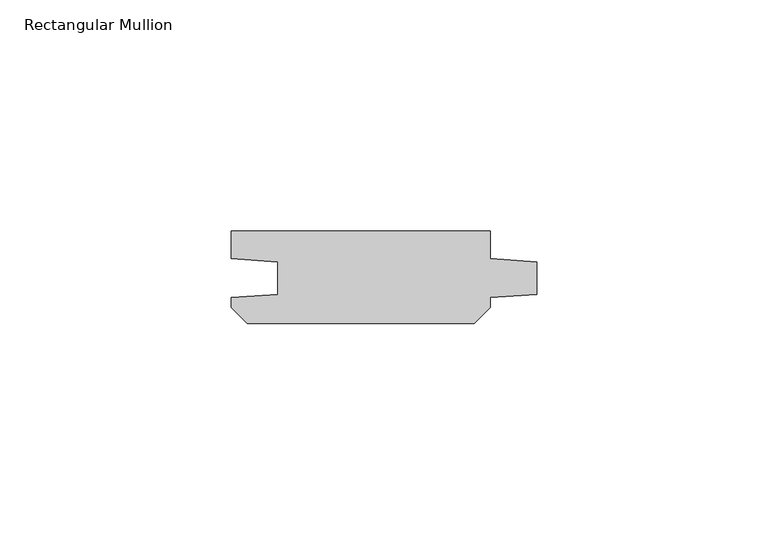
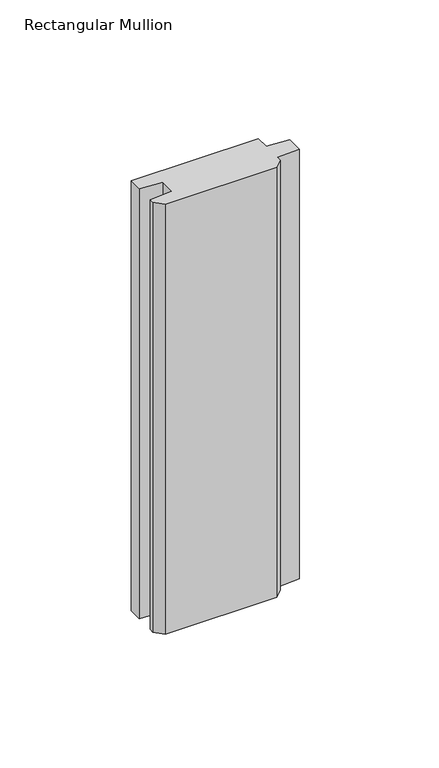
"""IFC4 building model written with IfcOpenShell, lengths in millimetres: member geometry, Rectangular Mullion."""

from ifc_helpers import new_model, si_unit, frame, origin, place, context, project, spatial, polyline, outline, extrude, source, transform, mapped, element, save


def rectangular_mullion_2398c550(model_context):
    return source(origin(), model_context, "Body", "SweptSolid", [
        extrude(outline(polyline([(-10.0, 0.0), (-10.0, -5.9651903), (0.0, -6.6644584), (0.0, -13.6642442), (-10.0, -14.3635124), (-10.0, -16.5283124), (-13.4716876, -20.0), (-62.5283124, -20.0), (-66.0, -16.5283124), (-66.0, -14.3635124), (-56.0, -13.6642442), (-56.0, -6.6644584), (-66.0, -5.9651903), (-66.0, 0.0), (-10.0, 0.0)])), frame((0.0, 0.0, -200.0), z_axis=(0.0, 0.0, 1.0), x_axis=(1.0, 0.0, 0.0)), (0.0, 0.0, 1.0), 200.0),
    ])


if __name__ == "__main__":
    model = new_model("IFC4")
    model_context = context("Model", 3, world=origin())
    ifc_project = project(units=[si_unit("LENGTHUNIT", "METRE", prefix="MILLI")], contexts=[model_context])
    site = spatial("IfcSite", under=ifc_project)
    building = spatial("IfcBuilding", under=site)
    placement = place(None, origin())
    rectangular_mullion_shape = rectangular_mullion_2398c550(model_context)
    element("IfcMember", 1, ObjectType="Rectangular Mullion", at=placement, inside=building, context=model_context, shape_type="MappedRepresentation", body=[
        mapped(rectangular_mullion_shape, transform((0.0, 0.0, 0.0), x_axis=(1.0, 0.0, 0.0), y_axis=(0.0, 1.0, 0.0), z_axis=(0.0, 0.0, 1.0))),
    ])
    save(model, "model.ifc")
